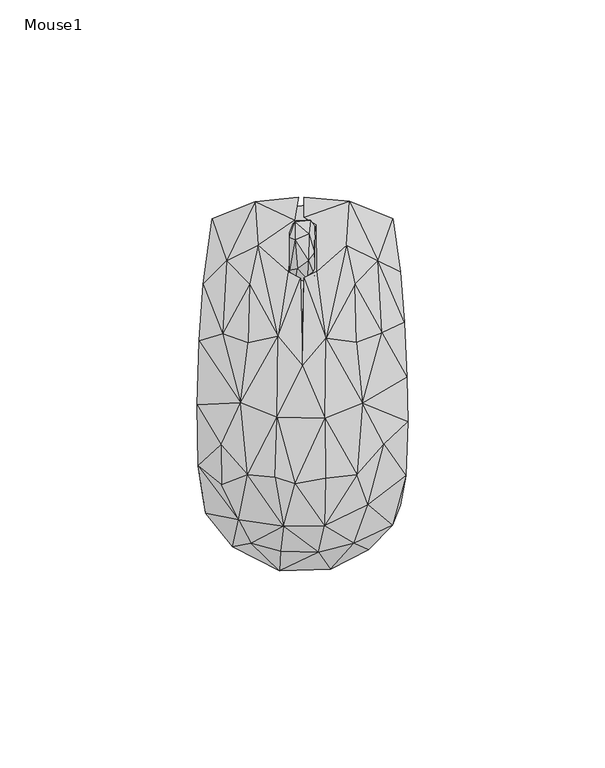
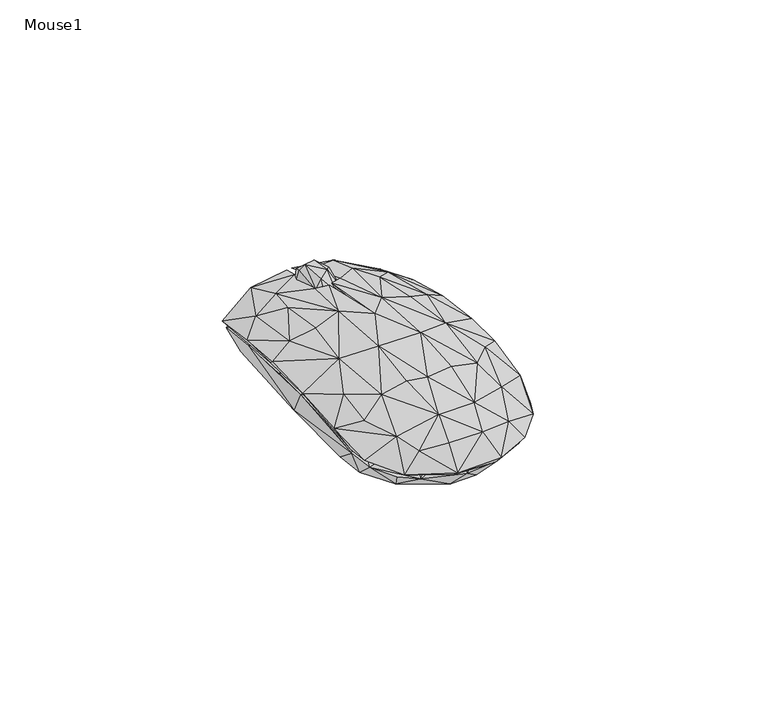
"""IFC4 building model written with IfcOpenShell, lengths in millimetres: furniture geometry, Mouse1."""

from ifc_helpers import new_model, si_unit, origin, place, context, project, spatial, triangles, source, transform, mapped, element, save


def mouse1_ff742622(model_context):
    return source(origin(), model_context, "Body", "Tessellation", [
        triangles([(-1.7870551, 25.5556985, 15.0905907), (1.4279153, 26.2556989, 17.1901639), (-1.2795692, 29.2699885, 20.2893071), (-3.1870542, 28.7699872, 18.0897343), (2.0354036, 41.5199947, 14.9905912), (-1.7870518, 41.1199964, 16.5901631), (1.7354029, 38.1057091, 19.6893074), (3.1354009, 27.4628427, 17.4901638), (1.5279163, 31.2771266, 21.0893059), (3.1354021, 33.2842761, 20.0893079), (-3.1870528, 37.2057073, 18.8897343), (-1.8870527, 36.5985587, 20.4893062), (1.5279159, 29.1699855, 6.1931613), (3.2354019, 31.9842782, 6.2931615), (3.0354005, 27.1628428, 9.1923049), (-1.6870548, 26.455698, 8.992304), (-1.6870538, 31.4771303, 5.2931618), (-0.0795679, 35.0985594, 5.0931615), (-3.0870532, 33.6914164, 6.1931613), (2.2354028, 37.705704, 6.3931616), (3.2354033, 39.919997, 12.4914477), (-3.1870548, 26.8556986, 10.3918768), (-3.0870518, 40.0199955, 11.4914475), (-1.6870522, 39.21285, 7.4927334), (1.9354036, 41.1199964, 10.091877), (-1.5870518, 41.4199963, 11.7914485), (2.0354004, 25.4556978, 12.9914479)], [[1, 2, 3], [1, 3, 4], [5, 6, 7], [2, 8, 9], [2, 9, 3], [8, 10, 9], [6, 11, 12], [6, 12, 7], [4, 12, 11], [4, 3, 12], [3, 9, 12], [9, 7, 12], [9, 10, 7], [13, 14, 15], [13, 16, 17], [13, 17, 18], [13, 18, 14], [13, 15, 16], [17, 19, 18], [17, 16, 19], [14, 18, 20], [14, 20, 21], [14, 21, 10], [14, 10, 15], [19, 16, 22], [19, 23, 24], [19, 24, 18], [19, 22, 4], [19, 4, 23], [18, 24, 20], [20, 25, 21], [20, 24, 25], [24, 23, 26], [24, 26, 25], [16, 15, 27], [16, 27, 1], [16, 1, 22], [15, 8, 27], [15, 10, 8], [22, 1, 4], [25, 26, 5], [25, 5, 21], [27, 8, 2], [27, 2, 1], [23, 4, 11], [23, 11, 6], [23, 6, 26], [26, 6, 5], [21, 5, 7], [21, 7, 10]]),
        triangles([(-11.1957772, 35.1929622, 15.7576683), (-6.1527682, 12.0434884, 22.6493329), (-3.6527644, 28.4764686, 18.7493336), (-2.0097487, 41.5259446, 14.4576693), (11.1762766, 35.1929554, 15.7576683), (3.6332644, 40.4094521, 14.55767), (3.7332623, 28.5764716, 19.3493345), (6.0332584, 11.6269952, 22.7493336), (-4.7527781, -36.0049335, 19.4493352), (5.6332488, -35.9049328, 19.3493345), (-1.8097625, -25.2719494, 23.3493333), (-6.9527756, -23.6719494, 22.949335), (-13.8957884, -22.9554552, 20.8493338), (5.8332508, -23.8719531, 23.0493335), (13.8762651, -22.955462, 20.8493338), (-6.3527724, -8.422476, 24.3493336), (5.7332546, -8.622478, 24.4493343), (3.5332509, -25.7719507, 21.6493349), (-5.7527756, -23.4554587, 21.849334), (4.633253, -15.1389685, 23.0493335), (13.7762644, -22.6554622, 19.6493343), (-15.6388006, -4.7059826, 21.5493319), (-13.7957888, -22.6554553, 19.6493343), (-6.0527726, -8.3224764, 23.1493342), (-13.8957849, -5.7059829, 21.0493329), (13.8762685, -5.6059884, 21.0493329), (15.2192802, -4.9059892, 21.7493333), (-0.109756, 6.1269965, 22.7493336), (6.0332556, -1.305987, 23.0493335), (0.0902438, 4.6105053, 24.1493345), (-6.1527682, 11.5269967, 21.4493335), (-13.795782, 10.4269991, 21.0493329), (-15.0387952, 9.6269991, 19.3493345), (5.9332594, 16.0434861, 20.7493353), (15.5192823, 11.1269939, 18.9493339), (13.7762712, 10.526993, 21.0493329), (0.3902484, 26.8764709, 19.9493342), (-0.4097517, 26.7764702, 19.6493343), (-6.1527801, -46.2214247, 7.5660052), (-17.7388064, -41.3049279, 8.5660049), (-10.6957918, -40.1049285, 13.066005), (0.1902337, -42.7214249, 13.3576705), (5.4332462, -46.4214216, 7.4660045), (-5.7527807, -47.3214257, 8.5660049), (7.1332463, -46.9214229, 8.5660049), (4.1332472, -42.6214219, 14.9576694), (-5.5527793, -42.421425, 14.8576698), (-12.9957922, -40.3049299, 13.6576693), (12.8762614, -39.5049379, 12.5660049), (16.8192722, -42.0214267, 8.4660053), (5.7332478, -41.104931, 14.257669), (13.0762617, -40.3049345, 13.6576693), (15.9192738, -33.7884468, 14.6576695), (24.8622906, -30.6884475, 9.4660045), (22.86229, -35.8049389, 9.7660055), (-16.1388053, -34.3884374, 15.6576687), (-24.4818178, -32.7884374, 10.2660056), (-25.3818174, -27.2719455, 10.5660043), (-15.8388054, -33.78844, 14.55767), (-5.5527781, -35.3884399, 18.1576682), (4.7332486, -35.3884399, 18.2576701), (16.6192742, -30.5884445, 17.1576702), (26.2622914, -23.2554664, 12.8660047), (-26.3818154, -20.7554532, 13.4576701), (20.1192752, -25.6719545, 15.5576691), (-26.681813, -5.3059801, 14.9576694), (-20.4388029, -23.3554558, 15.8576701), (26.5622958, 1.7104997, 15.0576701), (26.7622927, -9.6224822, 15.0576701), (20.4192773, -14.4389726, 17.5576697), (20.7192772, -15.2389738, 18.6576695), (-25.1818046, 25.2764754, 12.266005), (-26.1818094, 11.0270023, 14.6576695), (-20.2387969, 12.7434922, 17.8576684), (-19.2387921, 31.1929634, 14.0576698), (-22.8818019, 41.8259444, 7.3660049), (-25.7818088, 12.7434934, 13.1576691), (24.8623019, 28.476464, 11.466005), (25.9623006, 15.643481, 13.9576703), (22.9623066, 41.8259399, 7.3660049), (19.219287, 31.1929566, 14.0576698), (20.619281, -1.5059902, 17.8576684), (19.0192867, 30.1929586, 13.0576695), (-11.9957749, 46.2259484, 11.166004), (-15.7387877, 44.2259478, 9.2660047), (-19.5387919, 22.3599815, 14.9576694), (-1.0097474, 47.3259449, 11.9660052), (-11.2957767, 34.7929639, 14.55767), (-13.1957777, 24.8764726, 16.95767), (0.4902525, 47.3259449, 12.0660047), (0.4902515, 42.3259457, 14.1576694), (11.9762789, 46.3259423, 11.166004), (11.5762795, 45.5259366, 10.2660056), (11.3762769, 34.7929549, 14.55767), (-20.4388029, -25.571947, 16.7576685), (-20.638802, -15.4389638, 18.6576695), (-20.7818143, -6.8224732, 17.8576684), (20.2192827, 13.043483, 17.8576684), (-13.3957791, 25.2764731, 18.1576682), (13.3762752, 25.2764663, 18.1576682), (0.8902482, 26.476468, 18.7576691), (13.2762756, 24.876468, 16.95767), (-3.7388689, -39.9733413, 0.003408), (3.9916168, -39.7733399, 0.003408), (-2.1388701, -45.7733416, 6.3030804), (-13.6998417, -42.3733402, 6.6030796), (-15.5998393, -33.0558788, 0.003408), (15.6525897, -33.0558856, 0.003408), (7.0221022, -44.973345, 6.4030799), (-20.9303245, -24.0209584, 0.003408), (20.8830776, -24.1209659, 0.003408), (-23.2303249, -33.0558788, 7.8030802), (-18.7998393, -38.9558798, 6.9030801), (15.6525875, -41.2733437, 6.7030804), (23.5830763, -32.5384254, 7.9030804), (-21.9303225, -15.9034987, 0.203408), (-21.6303181, 7.6663431, 0.003408), (-25.1303247, -27.4384142, 9.3030801), (21.9830786, -20.2209655, 0.603408), (21.4830864, 9.3663342, 0.003408), (25.4830784, -24.6209695, 10.1030806), (-26.1303182, -3.3685773, 13.102751), (-24.3303122, 26.218728, 9.8030796), (-20.3303111, 36.9361834, 0.003408), (7.2221195, 38.3361774, 0.003408), (20.3830922, 36.9361743, 0.003408), (22.2830921, 40.8536337, 5.6034081), (24.2830881, 27.218717, 9.6030794), (25.4830853, 12.3663327, 12.1027519), (-22.230311, 40.9536458, 5.6034081), (-5.5388522, 38.4361759, 0.003408), (-10.5693381, 44.8536439, 9.2030799), (7.0221209, 45.4536391, 9.8030796), (17.1526072, 43.1536341, 7.6030799), (-18.6998272, 30.1187262, 11.9027516), (18.7526026, 30.1187194, 11.9027516), (-3.2388693, -41.9733419, 11.7027513), (-5.8388685, -37.3558844, 15.4027515), (-13.0693535, -35.3558815, 13.9027522), (5.2916164, -41.5733436, 11.802752), (19.1525896, -33.6558854, 10.9030795), (13.0525906, -35.3558883, 13.9027522), (-20.3303247, -22.820959, 14.6027515), (19.9830803, -22.2209661, 15.002752), (-26.030322, -14.8034966, 12.3027522), (26.0830827, -11.9860473, 12.602752), (-25.7303176, 8.266344, 12.602752), (-19.7303159, 12.6663428, 15.6027517), (-8.8693391, 36.2361784, 13.2027506), (0.8916327, 34.5361755, 14.9027513), (12.8221189, 29.7187188, 14.3027516), (6.2916326, 33.1361769, 14.9027513), (1.691618, -35.7558844, 17.0024244), (6.7221046, -33.7558838, 17.2024236), (-6.2388668, -29.2384202, 19.002425), (-13.499838, -26.2209581, 17.6024253), (13.5525919, -26.2209672, 17.6024253), (-20.2303218, -9.886037, 16.80275), (-13.699836, -14.3034988, 19.6024259), (20.5830823, -5.768587, 16.7027527), (13.7525944, -14.3035044, 19.6024259), (-16.1998333, -0.8685792, 18.6024256), (19.8830841, 9.5663345, 16.0027523), (13.7525978, -2.1685856, 19.802425), (-13.069341, 24.6012623, 15.802752), (-13.4998312, 10.166341, 18.6024256), (13.5525998, 10.1663353, 18.6024256), (-6.1388559, 24.3012624, 17.5024257), (6.7221148, 16.3837951, 19.3024237), (1.6916286, 15.1837968, 20.0024242), (1.6916204, -24.6209626, 20.802423), (6.9221066, -22.9209642, 20.5024232), (-6.2388645, -17.6034994, 21.402425), (6.4916226, -12.0860424, 21.8024256), (1.1916236, -8.8860412, 22.4024253), (-6.0388614, -5.4685814, 22.0024247), (6.9221117, -0.6685839, 21.5024234), (1.6916263, 4.2488793, 21.7024226), (-6.1388593, 7.6663403, 20.802423)], [[1, 2, 3], [1, 3, 4], [5, 6, 7], [5, 7, 8], [9, 10, 11], [9, 12, 13], [9, 11, 12], [10, 14, 11], [10, 15, 14], [12, 11, 16], [12, 16, 13], [11, 14, 17], [11, 17, 16], [18, 19, 20], [18, 20, 21], [14, 15, 17], [13, 16, 22], [23, 24, 19], [23, 25, 24], [19, 24, 20], [21, 20, 26], [15, 27, 17], [20, 24, 28], [20, 29, 26], [20, 28, 29], [16, 17, 30], [16, 30, 2], [16, 2, 22], [24, 25, 31], [24, 31, 28], [17, 27, 8], [17, 8, 30], [22, 2, 32], [25, 33, 31], [29, 28, 34], [29, 35, 26], [29, 34, 35], [27, 36, 8], [30, 8, 37], [30, 38, 2], [30, 28, 38], [30, 37, 28], [31, 3, 38], [31, 38, 28], [8, 7, 37], [2, 38, 3], [39, 40, 41], [39, 41, 42], [39, 42, 43], [39, 44, 40], [39, 43, 44], [44, 45, 46], [44, 47, 48], [44, 46, 47], [44, 48, 40], [44, 43, 45], [43, 49, 50], [43, 42, 51], [43, 51, 49], [43, 50, 45], [45, 50, 52], [45, 52, 46], [50, 49, 53], [50, 53, 54], [50, 54, 55], [50, 55, 52], [40, 48, 56], [40, 56, 57], [40, 58, 59], [40, 59, 41], [40, 57, 58], [41, 59, 60], [41, 60, 42], [49, 51, 61], [49, 61, 53], [55, 62, 52], [55, 63, 62], [55, 54, 63], [57, 56, 64], [57, 64, 58], [54, 53, 65], [54, 65, 63], [58, 64, 66], [58, 67, 59], [58, 66, 67], [63, 68, 69], [63, 65, 70], [63, 70, 68], [63, 71, 62], [63, 69, 71], [72, 73, 74], [72, 74, 75], [72, 75, 76], [72, 76, 77], [72, 77, 73], [78, 79, 68], [78, 80, 81], [78, 81, 79], [78, 82, 35], [78, 68, 82], [78, 83, 80], [78, 35, 83], [76, 84, 85], [76, 75, 84], [76, 85, 86], [76, 86, 77], [85, 84, 87], [85, 87, 88], [85, 89, 86], [85, 88, 89], [84, 75, 1], [84, 1, 4], [84, 4, 87], [87, 4, 88], [90, 91, 92], [90, 93, 91], [90, 92, 93], [93, 80, 83], [93, 94, 6], [93, 83, 94], [93, 6, 91], [93, 92, 80], [92, 5, 81], [92, 81, 80], [92, 6, 5], [92, 91, 6], [47, 9, 48], [47, 46, 9], [42, 60, 61], [42, 61, 51], [46, 52, 10], [46, 10, 9], [48, 9, 56], [52, 62, 10], [56, 9, 13], [56, 13, 95], [56, 95, 64], [59, 67, 23], [59, 23, 60], [60, 18, 61], [60, 23, 19], [60, 19, 18], [61, 18, 21], [61, 21, 53], [53, 21, 65], [62, 71, 15], [62, 15, 10], [95, 96, 64], [95, 13, 96], [65, 21, 70], [64, 96, 66], [67, 97, 23], [67, 66, 97], [96, 13, 22], [96, 22, 66], [70, 82, 68], [70, 21, 26], [70, 26, 82], [71, 69, 27], [71, 27, 15], [97, 66, 77], [97, 77, 33], [97, 25, 23], [97, 33, 25], [69, 68, 27], [66, 73, 77], [66, 22, 73], [82, 26, 35], [68, 98, 27], [68, 79, 98], [73, 22, 74], [77, 86, 33], [74, 99, 75], [74, 22, 32], [74, 32, 99], [98, 79, 81], [98, 100, 36], [98, 81, 100], [98, 36, 27], [86, 89, 33], [99, 1, 75], [99, 32, 2], [99, 2, 1], [89, 88, 31], [89, 31, 33], [101, 37, 7], [101, 94, 34], [101, 6, 94], [101, 34, 28], [101, 28, 37], [101, 7, 6], [102, 94, 83], [102, 83, 35], [102, 35, 34], [102, 34, 94], [100, 5, 8], [100, 81, 5], [100, 8, 36], [88, 4, 3], [88, 3, 31], [103, 104, 105], [103, 105, 106], [103, 107, 104], [103, 106, 107], [104, 107, 108], [104, 109, 105], [104, 108, 109], [107, 110, 111], [107, 111, 108], [107, 112, 110], [107, 113, 112], [107, 106, 113], [108, 114, 109], [108, 111, 115], [108, 115, 114], [110, 116, 117], [110, 117, 111], [110, 112, 118], [110, 118, 116], [111, 119, 115], [111, 117, 120], [111, 120, 119], [119, 120, 121], [119, 121, 115], [116, 118, 117], [117, 118, 122], [117, 123, 124], [117, 122, 123], [117, 124, 120], [120, 124, 125], [120, 125, 126], [120, 126, 127], [120, 127, 128], [120, 128, 129], [120, 129, 121], [124, 130, 131], [124, 131, 125], [124, 123, 130], [131, 130, 132], [131, 132, 125], [125, 132, 133], [125, 133, 134], [125, 134, 126], [126, 134, 127], [130, 123, 135], [130, 135, 132], [127, 134, 136], [127, 136, 128], [106, 137, 138], [106, 112, 113], [106, 105, 137], [106, 139, 112], [106, 138, 139], [105, 109, 140], [105, 140, 137], [109, 114, 140], [114, 141, 142], [114, 115, 141], [114, 142, 140], [112, 139, 143], [112, 143, 118], [141, 115, 121], [141, 121, 144], [141, 144, 142], [118, 145, 122], [118, 143, 145], [121, 129, 146], [121, 146, 144], [123, 147, 148], [123, 148, 135], [123, 122, 147], [128, 136, 129], [132, 135, 149], [132, 149, 150], [132, 150, 133], [133, 151, 134], [133, 150, 152], [133, 152, 151], [134, 151, 136], [137, 140, 153], [137, 153, 138], [140, 142, 154], [140, 154, 153], [139, 138, 155], [139, 155, 156], [139, 156, 143], [138, 153, 155], [142, 144, 157], [142, 157, 154], [143, 158, 145], [143, 156, 159], [143, 159, 158], [144, 146, 160], [144, 160, 161], [144, 161, 157], [145, 158, 122], [158, 159, 162], [158, 162, 122], [146, 129, 160], [122, 162, 147], [160, 163, 164], [160, 129, 163], [160, 164, 161], [147, 162, 148], [148, 165, 135], [148, 162, 166], [148, 166, 165], [163, 129, 136], [163, 151, 167], [163, 136, 151], [163, 167, 164], [165, 149, 135], [165, 166, 168], [165, 168, 149], [151, 152, 169], [151, 169, 167], [149, 168, 150], [150, 170, 152], [150, 168, 170], [152, 170, 169], [153, 154, 171], [153, 171, 155], [154, 172, 171], [154, 157, 172], [155, 171, 173], [155, 173, 156], [156, 173, 159], [171, 172, 174], [171, 175, 173], [171, 174, 175], [172, 157, 161], [172, 161, 174], [159, 173, 176], [159, 176, 162], [173, 175, 176], [161, 177, 174], [161, 164, 177], [175, 174, 177], [175, 177, 178], [175, 178, 176], [162, 176, 179], [162, 179, 166], [176, 178, 179], [177, 164, 167], [177, 167, 169], [177, 170, 178], [177, 169, 170], [178, 170, 179], [166, 179, 168], [179, 170, 168]]),
    ])


if __name__ == "__main__":
    model = new_model("IFC4")
    model_context = context("Model", 3, world=origin())
    ifc_project = project(units=[si_unit("LENGTHUNIT", "METRE", prefix="MILLI")], contexts=[model_context])
    site = spatial("IfcSite", under=ifc_project)
    building = spatial("IfcBuilding", under=site)
    placement = place(None, origin())
    mouse1_shape = mouse1_ff742622(model_context)
    element("IfcFurniture", 1, ObjectType="Mouse1", at=placement, inside=building, context=model_context, shape_type="MappedRepresentation", body=[
        mapped(mouse1_shape, transform((0.0, 0.0, 0.0), x_axis=(1.0, 0.0, 0.0), y_axis=(0.0, 1.0, 0.0), z_axis=(0.0, 0.0, 1.0))),
    ])
    save(model, "model.ifc")
